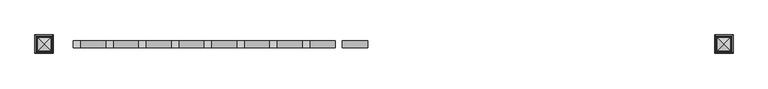
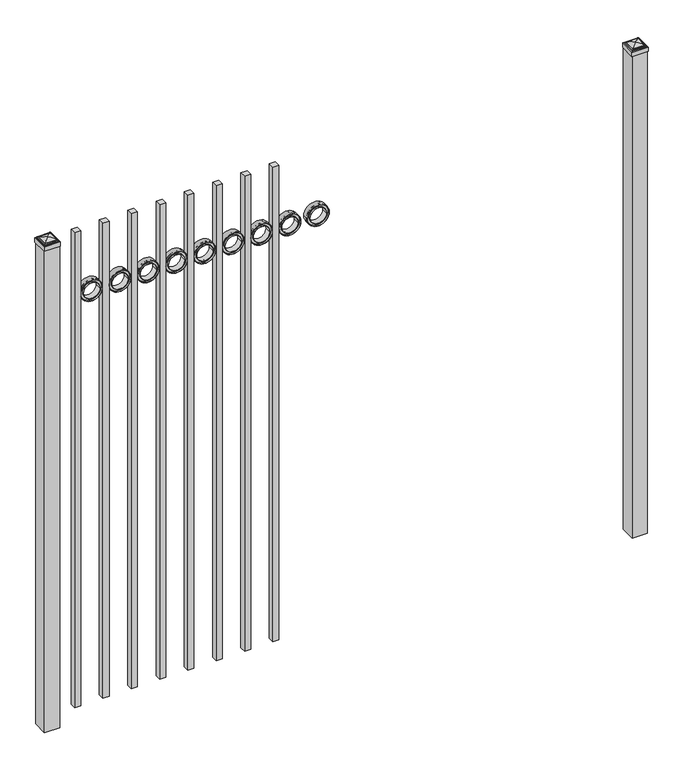
"""IFC4 building model written with IfcOpenShell, lengths in millimetres: railing geometry."""

from ifc_helpers import new_model, si_unit, point, frame, frame_2d, origin, origin_with_axes, place, context, project, spatial, polyline, circle_curve, ellipse_curve, trimmed, segment, composite_curve, outline, extrude, source, transform, mapped, element, save
from ifc_brep_helpers import plane_surface, cylinder_surface, advanced_brep


def railing_8e36fc4a(model_context):
    return source(origin(), model_context, "Body", "SolidModel", [
        extrude(outline(composite_curve([segment(trimmed(circle_curve(frame_2d((1855.0040076, 12601.0088655)), 45.6988591), [point((1855.0040076, 12646.7077246))], [point((1855.0040076, 12555.3100064))], False, "CARTESIAN"), True, "CONTINUOUS"), segment(trimmed(circle_curve(frame_2d((1855.0040076, 12601.0088655)), 45.6988591), [point((1855.0040076, 12555.3100064))], [point((1855.0040076, 12646.7077246))], False, "CARTESIAN"), True, "CONTINUOUS")], self_intersect=False), holes=[composite_curve([segment(trimmed(circle_curve(frame_2d((1855.0040076, 12601.0088655)), 44.101539), [point((1855.0040076, 12645.1104045))], [point((1855.0040076, 12556.9073265))], True, "CARTESIAN"), True, "CONTINUOUS"), segment(trimmed(circle_curve(frame_2d((1855.0040076, 12601.0088655)), 44.101539), [point((1855.0040076, 12556.9073265))], [point((1855.0040076, 12645.1104045))], True, "CARTESIAN"), True, "CONTINUOUS")], self_intersect=False)]), frame((0.0, 8832.219541, 0.0), z_axis=(0.0, 1.0, 0.0), x_axis=(0.0, 0.0, 1.0)), (0.0, 0.0, 1.0), 25.4),
        extrude(outline(composite_curve([segment(trimmed(circle_curve(frame_2d((1855.0040076, 12601.0088655)), 34.6370762), [point((1855.0040076, 12635.6459417))], [point((1855.0040076, 12566.3717893))], False, "CARTESIAN"), True, "CONTINUOUS"), segment(trimmed(circle_curve(frame_2d((1855.0040076, 12601.0088655)), 34.6370762), [point((1855.0040076, 12566.3717893))], [point((1855.0040076, 12635.6459417))], False, "CARTESIAN"), True, "CONTINUOUS")], self_intersect=False), holes=[composite_curve([segment(trimmed(circle_curve(frame_2d((1855.0040076, 12601.0088655)), 33.0443887), [point((1855.0040076, 12634.0532542))], [point((1855.0040076, 12567.9644768))], True, "CARTESIAN"), True, "CONTINUOUS"), segment(trimmed(circle_curve(frame_2d((1855.0040076, 12601.0088655)), 33.0443887), [point((1855.0040076, 12567.9644768))], [point((1855.0040076, 12634.0532542))], True, "CARTESIAN"), True, "CONTINUOUS")], self_intersect=False)]), frame((0.0, 8832.219541, 0.0), z_axis=(0.0, 1.0, 0.0), x_axis=(0.0, 0.0, 1.0)), (0.0, 0.0, 1.0), 25.4),
        extrude(outline(composite_curve([segment(trimmed(circle_curve(frame_2d((1855.0040076, 12601.0088655)), 45.6988591), [point((1855.0040076, 12646.7077246))], [point((1855.0040076, 12555.3100064))], False, "CARTESIAN"), True, "CONTINUOUS"), segment(trimmed(circle_curve(frame_2d((1855.0040076, 12601.0088655)), 45.6988591), [point((1855.0040076, 12555.3100064))], [point((1855.0040076, 12646.7077246))], False, "CARTESIAN"), True, "CONTINUOUS")], self_intersect=False), holes=[composite_curve([segment(trimmed(circle_curve(frame_2d((1855.0040076, 12601.0088655)), 33.0443887), [point((1855.0040076, 12634.0532542))], [point((1855.0040076, 12567.9644768))], True, "CARTESIAN"), True, "CONTINUOUS"), segment(trimmed(circle_curve(frame_2d((1855.0040076, 12601.0088655)), 33.0443887), [point((1855.0040076, 12567.9644768))], [point((1855.0040076, 12634.0532542))], True, "CARTESIAN"), True, "CONTINUOUS")], self_intersect=False)]), frame((0.0, 8838.569541, 0.0), z_axis=(0.0, 1.0, 0.0), x_axis=(0.0, 0.0, 1.0)), (0.0, 0.0, 1.0), 12.7),
        extrude(outline(polyline([(12412.4350064, 8857.619541), (12437.8350064, 8857.619541), (12437.8350064, 8832.219541), (12412.4350064, 8832.219541), (12412.4350064, 8857.619541)])), frame((0.0, 0.0, 50.8), z_axis=(0.0, 0.0, 1.0), x_axis=(1.0, 0.0, 0.0)), (0.0, 0.0, 1.0), 2082.8),
        extrude(outline(composite_curve([segment(trimmed(circle_curve(frame_2d((1855.0040076, 12483.5338655)), 45.6988591), [point((1855.0040076, 12529.2327246))], [point((1855.0040076, 12437.8350064))], False, "CARTESIAN"), True, "CONTINUOUS"), segment(trimmed(circle_curve(frame_2d((1855.0040076, 12483.5338655)), 45.6988591), [point((1855.0040076, 12437.8350064))], [point((1855.0040076, 12529.2327246))], False, "CARTESIAN"), True, "CONTINUOUS")], self_intersect=False), holes=[composite_curve([segment(trimmed(circle_curve(frame_2d((1855.0040076, 12483.5338655)), 44.101539), [point((1855.0040076, 12527.6354045))], [point((1855.0040076, 12439.4323265))], True, "CARTESIAN"), True, "CONTINUOUS"), segment(trimmed(circle_curve(frame_2d((1855.0040076, 12483.5338655)), 44.101539), [point((1855.0040076, 12439.4323265))], [point((1855.0040076, 12527.6354045))], True, "CARTESIAN"), True, "CONTINUOUS")], self_intersect=False)]), frame((0.0, 8832.219541, 0.0), z_axis=(0.0, 1.0, 0.0), x_axis=(0.0, 0.0, 1.0)), (0.0, 0.0, 1.0), 25.4),
        extrude(outline(composite_curve([segment(trimmed(circle_curve(frame_2d((1855.0040076, 12483.5338655)), 34.6370762), [point((1855.0040076, 12518.1709417))], [point((1855.0040076, 12448.8967893))], False, "CARTESIAN"), True, "CONTINUOUS"), segment(trimmed(circle_curve(frame_2d((1855.0040076, 12483.5338655)), 34.6370762), [point((1855.0040076, 12448.8967893))], [point((1855.0040076, 12518.1709417))], False, "CARTESIAN"), True, "CONTINUOUS")], self_intersect=False), holes=[composite_curve([segment(trimmed(circle_curve(frame_2d((1855.0040076, 12483.5338655)), 33.0443887), [point((1855.0040076, 12516.5782542))], [point((1855.0040076, 12450.4894768))], True, "CARTESIAN"), True, "CONTINUOUS"), segment(trimmed(circle_curve(frame_2d((1855.0040076, 12483.5338655)), 33.0443887), [point((1855.0040076, 12450.4894768))], [point((1855.0040076, 12516.5782542))], True, "CARTESIAN"), True, "CONTINUOUS")], self_intersect=False)]), frame((0.0, 8832.219541, 0.0), z_axis=(0.0, 1.0, 0.0), x_axis=(0.0, 0.0, 1.0)), (0.0, 0.0, 1.0), 25.4),
        extrude(outline(composite_curve([segment(trimmed(circle_curve(frame_2d((1855.0040076, 12483.5338655)), 45.6988591), [point((1855.0040076, 12529.2327246))], [point((1855.0040076, 12437.8350064))], False, "CARTESIAN"), True, "CONTINUOUS"), segment(trimmed(circle_curve(frame_2d((1855.0040076, 12483.5338655)), 45.6988591), [point((1855.0040076, 12437.8350064))], [point((1855.0040076, 12529.2327246))], False, "CARTESIAN"), True, "CONTINUOUS")], self_intersect=False), holes=[composite_curve([segment(trimmed(circle_curve(frame_2d((1855.0040076, 12483.5338655)), 33.0443887), [point((1855.0040076, 12516.5782542))], [point((1855.0040076, 12450.4894768))], True, "CARTESIAN"), True, "CONTINUOUS"), segment(trimmed(circle_curve(frame_2d((1855.0040076, 12483.5338655)), 33.0443887), [point((1855.0040076, 12450.4894768))], [point((1855.0040076, 12516.5782542))], True, "CARTESIAN"), True, "CONTINUOUS")], self_intersect=False)]), frame((0.0, 8838.569541, 0.0), z_axis=(0.0, 1.0, 0.0), x_axis=(0.0, 0.0, 1.0)), (0.0, 0.0, 1.0), 12.7),
        extrude(outline(polyline([(12294.9600064, 8857.619541), (12320.3600064, 8857.619541), (12320.3600064, 8832.219541), (12294.9600064, 8832.219541), (12294.9600064, 8857.619541)])), frame((0.0, 0.0, 50.8), z_axis=(0.0, 0.0, 1.0), x_axis=(1.0, 0.0, 0.0)), (0.0, 0.0, 1.0), 2082.8),
        extrude(outline(composite_curve([segment(trimmed(circle_curve(frame_2d((1855.0040076, 12366.0588655)), 45.6988591), [point((1855.0040076, 12411.7577246))], [point((1855.0040076, 12320.3600064))], False, "CARTESIAN"), True, "CONTINUOUS"), segment(trimmed(circle_curve(frame_2d((1855.0040076, 12366.0588655)), 45.6988591), [point((1855.0040076, 12320.3600064))], [point((1855.0040076, 12411.7577246))], False, "CARTESIAN"), True, "CONTINUOUS")], self_intersect=False), holes=[composite_curve([segment(trimmed(circle_curve(frame_2d((1855.0040076, 12366.0588655)), 44.101539), [point((1855.0040076, 12410.1604045))], [point((1855.0040076, 12321.9573265))], True, "CARTESIAN"), True, "CONTINUOUS"), segment(trimmed(circle_curve(frame_2d((1855.0040076, 12366.0588655)), 44.101539), [point((1855.0040076, 12321.9573265))], [point((1855.0040076, 12410.1604045))], True, "CARTESIAN"), True, "CONTINUOUS")], self_intersect=False)]), frame((0.0, 8832.219541, 0.0), z_axis=(0.0, 1.0, 0.0), x_axis=(0.0, 0.0, 1.0)), (0.0, 0.0, 1.0), 25.4),
        extrude(outline(composite_curve([segment(trimmed(circle_curve(frame_2d((1855.0040076, 12366.0588655)), 34.6370762), [point((1855.0040076, 12400.6959417))], [point((1855.0040076, 12331.4217893))], False, "CARTESIAN"), True, "CONTINUOUS"), segment(trimmed(circle_curve(frame_2d((1855.0040076, 12366.0588655)), 34.6370762), [point((1855.0040076, 12331.4217893))], [point((1855.0040076, 12400.6959417))], False, "CARTESIAN"), True, "CONTINUOUS")], self_intersect=False), holes=[composite_curve([segment(trimmed(circle_curve(frame_2d((1855.0040076, 12366.0588655)), 33.0443887), [point((1855.0040076, 12399.1032542))], [point((1855.0040076, 12333.0144768))], True, "CARTESIAN"), True, "CONTINUOUS"), segment(trimmed(circle_curve(frame_2d((1855.0040076, 12366.0588655)), 33.0443887), [point((1855.0040076, 12333.0144768))], [point((1855.0040076, 12399.1032542))], True, "CARTESIAN"), True, "CONTINUOUS")], self_intersect=False)]), frame((0.0, 8832.219541, 0.0), z_axis=(0.0, 1.0, 0.0), x_axis=(0.0, 0.0, 1.0)), (0.0, 0.0, 1.0), 25.4),
        extrude(outline(composite_curve([segment(trimmed(circle_curve(frame_2d((1855.0040076, 12366.0588655)), 45.6988591), [point((1855.0040076, 12411.7577246))], [point((1855.0040076, 12320.3600064))], False, "CARTESIAN"), True, "CONTINUOUS"), segment(trimmed(circle_curve(frame_2d((1855.0040076, 12366.0588655)), 45.6988591), [point((1855.0040076, 12320.3600064))], [point((1855.0040076, 12411.7577246))], False, "CARTESIAN"), True, "CONTINUOUS")], self_intersect=False), holes=[composite_curve([segment(trimmed(circle_curve(frame_2d((1855.0040076, 12366.0588655)), 33.0443887), [point((1855.0040076, 12399.1032542))], [point((1855.0040076, 12333.0144768))], True, "CARTESIAN"), True, "CONTINUOUS"), segment(trimmed(circle_curve(frame_2d((1855.0040076, 12366.0588655)), 33.0443887), [point((1855.0040076, 12333.0144768))], [point((1855.0040076, 12399.1032542))], True, "CARTESIAN"), True, "CONTINUOUS")], self_intersect=False)]), frame((0.0, 8838.569541, 0.0), z_axis=(0.0, 1.0, 0.0), x_axis=(0.0, 0.0, 1.0)), (0.0, 0.0, 1.0), 12.7),
        extrude(outline(polyline([(12177.4850064, 8857.619541), (12202.8850064, 8857.619541), (12202.8850064, 8832.219541), (12177.4850064, 8832.219541), (12177.4850064, 8857.619541)])), frame((0.0, 0.0, 50.8), z_axis=(0.0, 0.0, 1.0), x_axis=(1.0, 0.0, 0.0)), (0.0, 0.0, 1.0), 2082.8),
        extrude(outline(composite_curve([segment(trimmed(circle_curve(frame_2d((1855.0040076, 12248.5838655)), 45.6988591), [point((1855.0040076, 12294.2827246))], [point((1855.0040076, 12202.8850064))], False, "CARTESIAN"), True, "CONTINUOUS"), segment(trimmed(circle_curve(frame_2d((1855.0040076, 12248.5838655)), 45.6988591), [point((1855.0040076, 12202.8850064))], [point((1855.0040076, 12294.2827246))], False, "CARTESIAN"), True, "CONTINUOUS")], self_intersect=False), holes=[composite_curve([segment(trimmed(circle_curve(frame_2d((1855.0040076, 12248.5838655)), 44.101539), [point((1855.0040076, 12292.6854045))], [point((1855.0040076, 12204.4823265))], True, "CARTESIAN"), True, "CONTINUOUS"), segment(trimmed(circle_curve(frame_2d((1855.0040076, 12248.5838655)), 44.101539), [point((1855.0040076, 12204.4823265))], [point((1855.0040076, 12292.6854045))], True, "CARTESIAN"), True, "CONTINUOUS")], self_intersect=False)]), frame((0.0, 8832.219541, 0.0), z_axis=(0.0, 1.0, 0.0), x_axis=(0.0, 0.0, 1.0)), (0.0, 0.0, 1.0), 25.4),
        extrude(outline(composite_curve([segment(trimmed(circle_curve(frame_2d((1855.0040076, 12248.5838655)), 34.6370762), [point((1855.0040076, 12283.2209417))], [point((1855.0040076, 12213.9467893))], False, "CARTESIAN"), True, "CONTINUOUS"), segment(trimmed(circle_curve(frame_2d((1855.0040076, 12248.5838655)), 34.6370762), [point((1855.0040076, 12213.9467893))], [point((1855.0040076, 12283.2209417))], False, "CARTESIAN"), True, "CONTINUOUS")], self_intersect=False), holes=[composite_curve([segment(trimmed(circle_curve(frame_2d((1855.0040076, 12248.5838655)), 33.0443887), [point((1855.0040076, 12281.6282542))], [point((1855.0040076, 12215.5394768))], True, "CARTESIAN"), True, "CONTINUOUS"), segment(trimmed(circle_curve(frame_2d((1855.0040076, 12248.5838655)), 33.0443887), [point((1855.0040076, 12215.5394768))], [point((1855.0040076, 12281.6282542))], True, "CARTESIAN"), True, "CONTINUOUS")], self_intersect=False)]), frame((0.0, 8832.219541, 0.0), z_axis=(0.0, 1.0, 0.0), x_axis=(0.0, 0.0, 1.0)), (0.0, 0.0, 1.0), 25.4),
        extrude(outline(composite_curve([segment(trimmed(circle_curve(frame_2d((1855.0040076, 12248.5838655)), 45.6988591), [point((1855.0040076, 12294.2827246))], [point((1855.0040076, 12202.8850064))], False, "CARTESIAN"), True, "CONTINUOUS"), segment(trimmed(circle_curve(frame_2d((1855.0040076, 12248.5838655)), 45.6988591), [point((1855.0040076, 12202.8850064))], [point((1855.0040076, 12294.2827246))], False, "CARTESIAN"), True, "CONTINUOUS")], self_intersect=False), holes=[composite_curve([segment(trimmed(circle_curve(frame_2d((1855.0040076, 12248.5838655)), 33.0443887), [point((1855.0040076, 12281.6282542))], [point((1855.0040076, 12215.5394768))], True, "CARTESIAN"), True, "CONTINUOUS"), segment(trimmed(circle_curve(frame_2d((1855.0040076, 12248.5838655)), 33.0443887), [point((1855.0040076, 12215.5394768))], [point((1855.0040076, 12281.6282542))], True, "CARTESIAN"), True, "CONTINUOUS")], self_intersect=False)]), frame((0.0, 8838.569541, 0.0), z_axis=(0.0, 1.0, 0.0), x_axis=(0.0, 0.0, 1.0)), (0.0, 0.0, 1.0), 12.7),
        extrude(outline(polyline([(12060.0100064, 8857.619541), (12085.4100064, 8857.619541), (12085.4100064, 8832.219541), (12060.0100064, 8832.219541), (12060.0100064, 8857.619541)])), frame((0.0, 0.0, 50.8), z_axis=(0.0, 0.0, 1.0), x_axis=(1.0, 0.0, 0.0)), (0.0, 0.0, 1.0), 2082.8),
        extrude(outline(composite_curve([segment(trimmed(circle_curve(frame_2d((1855.0040076, 12131.1088655)), 45.6988591), [point((1855.0040076, 12176.8077246))], [point((1855.0040076, 12085.4100064))], False, "CARTESIAN"), True, "CONTINUOUS"), segment(trimmed(circle_curve(frame_2d((1855.0040076, 12131.1088655)), 45.6988591), [point((1855.0040076, 12085.4100064))], [point((1855.0040076, 12176.8077246))], False, "CARTESIAN"), True, "CONTINUOUS")], self_intersect=False), holes=[composite_curve([segment(trimmed(circle_curve(frame_2d((1855.0040076, 12131.1088655)), 44.101539), [point((1855.0040076, 12175.2104045))], [point((1855.0040076, 12087.0073265))], True, "CARTESIAN"), True, "CONTINUOUS"), segment(trimmed(circle_curve(frame_2d((1855.0040076, 12131.1088655)), 44.101539), [point((1855.0040076, 12087.0073265))], [point((1855.0040076, 12175.2104045))], True, "CARTESIAN"), True, "CONTINUOUS")], self_intersect=False)]), frame((0.0, 8832.219541, 0.0), z_axis=(0.0, 1.0, 0.0), x_axis=(0.0, 0.0, 1.0)), (0.0, 0.0, 1.0), 25.4),
        extrude(outline(composite_curve([segment(trimmed(circle_curve(frame_2d((1855.0040076, 12131.1088655)), 34.6370762), [point((1855.0040076, 12165.7459417))], [point((1855.0040076, 12096.4717893))], False, "CARTESIAN"), True, "CONTINUOUS"), segment(trimmed(circle_curve(frame_2d((1855.0040076, 12131.1088655)), 34.6370762), [point((1855.0040076, 12096.4717893))], [point((1855.0040076, 12165.7459417))], False, "CARTESIAN"), True, "CONTINUOUS")], self_intersect=False), holes=[composite_curve([segment(trimmed(circle_curve(frame_2d((1855.0040076, 12131.1088655)), 33.0443887), [point((1855.0040076, 12164.1532542))], [point((1855.0040076, 12098.0644768))], True, "CARTESIAN"), True, "CONTINUOUS"), segment(trimmed(circle_curve(frame_2d((1855.0040076, 12131.1088655)), 33.0443887), [point((1855.0040076, 12098.0644768))], [point((1855.0040076, 12164.1532542))], True, "CARTESIAN"), True, "CONTINUOUS")], self_intersect=False)]), frame((0.0, 8832.219541, 0.0), z_axis=(0.0, 1.0, 0.0), x_axis=(0.0, 0.0, 1.0)), (0.0, 0.0, 1.0), 25.4),
        extrude(outline(composite_curve([segment(trimmed(circle_curve(frame_2d((1855.0040076, 12131.1088655)), 45.6988591), [point((1855.0040076, 12176.8077246))], [point((1855.0040076, 12085.4100064))], False, "CARTESIAN"), True, "CONTINUOUS"), segment(trimmed(circle_curve(frame_2d((1855.0040076, 12131.1088655)), 45.6988591), [point((1855.0040076, 12085.4100064))], [point((1855.0040076, 12176.8077246))], False, "CARTESIAN"), True, "CONTINUOUS")], self_intersect=False), holes=[composite_curve([segment(trimmed(circle_curve(frame_2d((1855.0040076, 12131.1088655)), 33.0443887), [point((1855.0040076, 12164.1532542))], [point((1855.0040076, 12098.0644768))], True, "CARTESIAN"), True, "CONTINUOUS"), segment(trimmed(circle_curve(frame_2d((1855.0040076, 12131.1088655)), 33.0443887), [point((1855.0040076, 12098.0644768))], [point((1855.0040076, 12164.1532542))], True, "CARTESIAN"), True, "CONTINUOUS")], self_intersect=False)]), frame((0.0, 8838.569541, 0.0), z_axis=(0.0, 1.0, 0.0), x_axis=(0.0, 0.0, 1.0)), (0.0, 0.0, 1.0), 12.7),
        extrude(outline(polyline([(11942.5350064, 8857.619541), (11967.9350064, 8857.619541), (11967.9350064, 8832.219541), (11942.5350064, 8832.219541), (11942.5350064, 8857.619541)])), frame((0.0, 0.0, 50.8), z_axis=(0.0, 0.0, 1.0), x_axis=(1.0, 0.0, 0.0)), (0.0, 0.0, 1.0), 2082.8),
        extrude(outline(composite_curve([segment(trimmed(circle_curve(frame_2d((1855.0040076, 12013.6338655)), 45.6988591), [point((1855.0040076, 12059.3327246))], [point((1855.0040076, 11967.9350064))], False, "CARTESIAN"), True, "CONTINUOUS"), segment(trimmed(circle_curve(frame_2d((1855.0040076, 12013.6338655)), 45.6988591), [point((1855.0040076, 11967.9350064))], [point((1855.0040076, 12059.3327246))], False, "CARTESIAN"), True, "CONTINUOUS")], self_intersect=False), holes=[composite_curve([segment(trimmed(circle_curve(frame_2d((1855.0040076, 12013.6338655)), 44.101539), [point((1855.0040076, 12057.7354045))], [point((1855.0040076, 11969.5323265))], True, "CARTESIAN"), True, "CONTINUOUS"), segment(trimmed(circle_curve(frame_2d((1855.0040076, 12013.6338655)), 44.101539), [point((1855.0040076, 11969.5323265))], [point((1855.0040076, 12057.7354045))], True, "CARTESIAN"), True, "CONTINUOUS")], self_intersect=False)]), frame((0.0, 8832.219541, 0.0), z_axis=(0.0, 1.0, 0.0), x_axis=(0.0, 0.0, 1.0)), (0.0, 0.0, 1.0), 25.4),
        extrude(outline(composite_curve([segment(trimmed(circle_curve(frame_2d((1855.0040076, 12013.6338655)), 34.6370762), [point((1855.0040076, 12048.2709417))], [point((1855.0040076, 11978.9967893))], False, "CARTESIAN"), True, "CONTINUOUS"), segment(trimmed(circle_curve(frame_2d((1855.0040076, 12013.6338655)), 34.6370762), [point((1855.0040076, 11978.9967893))], [point((1855.0040076, 12048.2709417))], False, "CARTESIAN"), True, "CONTINUOUS")], self_intersect=False), holes=[composite_curve([segment(trimmed(circle_curve(frame_2d((1855.0040076, 12013.6338655)), 33.0443887), [point((1855.0040076, 12046.6782542))], [point((1855.0040076, 11980.5894768))], True, "CARTESIAN"), True, "CONTINUOUS"), segment(trimmed(circle_curve(frame_2d((1855.0040076, 12013.6338655)), 33.0443887), [point((1855.0040076, 11980.5894768))], [point((1855.0040076, 12046.6782542))], True, "CARTESIAN"), True, "CONTINUOUS")], self_intersect=False)]), frame((0.0, 8832.219541, 0.0), z_axis=(0.0, 1.0, 0.0), x_axis=(0.0, 0.0, 1.0)), (0.0, 0.0, 1.0), 25.4),
        extrude(outline(composite_curve([segment(trimmed(circle_curve(frame_2d((1855.0040076, 12013.6338655)), 45.6988591), [point((1855.0040076, 12059.3327246))], [point((1855.0040076, 11967.9350064))], False, "CARTESIAN"), True, "CONTINUOUS"), segment(trimmed(circle_curve(frame_2d((1855.0040076, 12013.6338655)), 45.6988591), [point((1855.0040076, 11967.9350064))], [point((1855.0040076, 12059.3327246))], False, "CARTESIAN"), True, "CONTINUOUS")], self_intersect=False), holes=[composite_curve([segment(trimmed(circle_curve(frame_2d((1855.0040076, 12013.6338655)), 33.0443887), [point((1855.0040076, 12046.6782542))], [point((1855.0040076, 11980.5894768))], True, "CARTESIAN"), True, "CONTINUOUS"), segment(trimmed(circle_curve(frame_2d((1855.0040076, 12013.6338655)), 33.0443887), [point((1855.0040076, 11980.5894768))], [point((1855.0040076, 12046.6782542))], True, "CARTESIAN"), True, "CONTINUOUS")], self_intersect=False)]), frame((0.0, 8838.569541, 0.0), z_axis=(0.0, 1.0, 0.0), x_axis=(0.0, 0.0, 1.0)), (0.0, 0.0, 1.0), 12.7),
        extrude(outline(polyline([(11825.0600064, 8857.619541), (11850.4600064, 8857.619541), (11850.4600064, 8832.219541), (11825.0600064, 8832.219541), (11825.0600064, 8857.619541)])), frame((0.0, 0.0, 50.8), z_axis=(0.0, 0.0, 1.0), x_axis=(1.0, 0.0, 0.0)), (0.0, 0.0, 1.0), 2082.8),
        extrude(outline(composite_curve([segment(trimmed(circle_curve(frame_2d((1855.0040076, 11896.1588655)), 45.6988591), [point((1855.0040076, 11941.8577246))], [point((1855.0040076, 11850.4600064))], False, "CARTESIAN"), True, "CONTINUOUS"), segment(trimmed(circle_curve(frame_2d((1855.0040076, 11896.1588655)), 45.6988591), [point((1855.0040076, 11850.4600064))], [point((1855.0040076, 11941.8577246))], False, "CARTESIAN"), True, "CONTINUOUS")], self_intersect=False), holes=[composite_curve([segment(trimmed(circle_curve(frame_2d((1855.0040076, 11896.1588655)), 44.101539), [point((1855.0040076, 11940.2604045))], [point((1855.0040076, 11852.0573265))], True, "CARTESIAN"), True, "CONTINUOUS"), segment(trimmed(circle_curve(frame_2d((1855.0040076, 11896.1588655)), 44.101539), [point((1855.0040076, 11852.0573265))], [point((1855.0040076, 11940.2604045))], True, "CARTESIAN"), True, "CONTINUOUS")], self_intersect=False)]), frame((0.0, 8832.219541, 0.0), z_axis=(0.0, 1.0, 0.0), x_axis=(0.0, 0.0, 1.0)), (0.0, 0.0, 1.0), 25.4),
        extrude(outline(composite_curve([segment(trimmed(circle_curve(frame_2d((1855.0040076, 11896.1588655)), 34.6370762), [point((1855.0040076, 11930.7959417))], [point((1855.0040076, 11861.5217893))], False, "CARTESIAN"), True, "CONTINUOUS"), segment(trimmed(circle_curve(frame_2d((1855.0040076, 11896.1588655)), 34.6370762), [point((1855.0040076, 11861.5217893))], [point((1855.0040076, 11930.7959417))], False, "CARTESIAN"), True, "CONTINUOUS")], self_intersect=False), holes=[composite_curve([segment(trimmed(circle_curve(frame_2d((1855.0040076, 11896.1588655)), 33.0443887), [point((1855.0040076, 11929.2032542))], [point((1855.0040076, 11863.1144768))], True, "CARTESIAN"), True, "CONTINUOUS"), segment(trimmed(circle_curve(frame_2d((1855.0040076, 11896.1588655)), 33.0443887), [point((1855.0040076, 11863.1144768))], [point((1855.0040076, 11929.2032542))], True, "CARTESIAN"), True, "CONTINUOUS")], self_intersect=False)]), frame((0.0, 8832.219541, 0.0), z_axis=(0.0, 1.0, 0.0), x_axis=(0.0, 0.0, 1.0)), (0.0, 0.0, 1.0), 25.4),
        extrude(outline(composite_curve([segment(trimmed(circle_curve(frame_2d((1855.0040076, 11896.1588655)), 45.6988591), [point((1855.0040076, 11941.8577246))], [point((1855.0040076, 11850.4600064))], False, "CARTESIAN"), True, "CONTINUOUS"), segment(trimmed(circle_curve(frame_2d((1855.0040076, 11896.1588655)), 45.6988591), [point((1855.0040076, 11850.4600064))], [point((1855.0040076, 11941.8577246))], False, "CARTESIAN"), True, "CONTINUOUS")], self_intersect=False), holes=[composite_curve([segment(trimmed(circle_curve(frame_2d((1855.0040076, 11896.1588655)), 33.0443887), [point((1855.0040076, 11929.2032542))], [point((1855.0040076, 11863.1144768))], True, "CARTESIAN"), True, "CONTINUOUS"), segment(trimmed(circle_curve(frame_2d((1855.0040076, 11896.1588655)), 33.0443887), [point((1855.0040076, 11863.1144768))], [point((1855.0040076, 11929.2032542))], True, "CARTESIAN"), True, "CONTINUOUS")], self_intersect=False)]), frame((0.0, 8838.569541, 0.0), z_axis=(0.0, 1.0, 0.0), x_axis=(0.0, 0.0, 1.0)), (0.0, 0.0, 1.0), 12.7),
        extrude(outline(polyline([(11707.5850064, 8857.619541), (11732.9850064, 8857.619541), (11732.9850064, 8832.219541), (11707.5850064, 8832.219541), (11707.5850064, 8857.619541)])), frame((0.0, 0.0, 50.8), z_axis=(0.0, 0.0, 1.0), x_axis=(1.0, 0.0, 0.0)), (0.0, 0.0, 1.0), 2082.8),
        extrude(outline(composite_curve([segment(trimmed(circle_curve(frame_2d((1855.0040076, 11778.6838655)), 45.6988591), [point((1855.0040076, 11824.3827246))], [point((1855.0040076, 11732.9850064))], False, "CARTESIAN"), True, "CONTINUOUS"), segment(trimmed(circle_curve(frame_2d((1855.0040076, 11778.6838655)), 45.6988591), [point((1855.0040076, 11732.9850064))], [point((1855.0040076, 11824.3827246))], False, "CARTESIAN"), True, "CONTINUOUS")], self_intersect=False), holes=[composite_curve([segment(trimmed(circle_curve(frame_2d((1855.0040076, 11778.6838655)), 44.101539), [point((1855.0040076, 11822.7854045))], [point((1855.0040076, 11734.5823265))], True, "CARTESIAN"), True, "CONTINUOUS"), segment(trimmed(circle_curve(frame_2d((1855.0040076, 11778.6838655)), 44.101539), [point((1855.0040076, 11734.5823265))], [point((1855.0040076, 11822.7854045))], True, "CARTESIAN"), True, "CONTINUOUS")], self_intersect=False)]), frame((0.0, 8832.219541, 0.0), z_axis=(0.0, 1.0, 0.0), x_axis=(0.0, 0.0, 1.0)), (0.0, 0.0, 1.0), 25.4),
        extrude(outline(composite_curve([segment(trimmed(circle_curve(frame_2d((1855.0040076, 11778.6838655)), 34.6370762), [point((1855.0040076, 11813.3209417))], [point((1855.0040076, 11744.0467893))], False, "CARTESIAN"), True, "CONTINUOUS"), segment(trimmed(circle_curve(frame_2d((1855.0040076, 11778.6838655)), 34.6370762), [point((1855.0040076, 11744.0467893))], [point((1855.0040076, 11813.3209417))], False, "CARTESIAN"), True, "CONTINUOUS")], self_intersect=False), holes=[composite_curve([segment(trimmed(circle_curve(frame_2d((1855.0040076, 11778.6838655)), 33.0443887), [point((1855.0040076, 11811.7282542))], [point((1855.0040076, 11745.6394768))], True, "CARTESIAN"), True, "CONTINUOUS"), segment(trimmed(circle_curve(frame_2d((1855.0040076, 11778.6838655)), 33.0443887), [point((1855.0040076, 11745.6394768))], [point((1855.0040076, 11811.7282542))], True, "CARTESIAN"), True, "CONTINUOUS")], self_intersect=False)]), frame((0.0, 8832.219541, 0.0), z_axis=(0.0, 1.0, 0.0), x_axis=(0.0, 0.0, 1.0)), (0.0, 0.0, 1.0), 25.4),
        extrude(outline(composite_curve([segment(trimmed(circle_curve(frame_2d((1855.0040076, 11778.6838655)), 45.6988591), [point((1855.0040076, 11824.3827246))], [point((1855.0040076, 11732.9850064))], False, "CARTESIAN"), True, "CONTINUOUS"), segment(trimmed(circle_curve(frame_2d((1855.0040076, 11778.6838655)), 45.6988591), [point((1855.0040076, 11732.9850064))], [point((1855.0040076, 11824.3827246))], False, "CARTESIAN"), True, "CONTINUOUS")], self_intersect=False), holes=[composite_curve([segment(trimmed(circle_curve(frame_2d((1855.0040076, 11778.6838655)), 33.0443887), [point((1855.0040076, 11811.7282542))], [point((1855.0040076, 11745.6394768))], True, "CARTESIAN"), True, "CONTINUOUS"), segment(trimmed(circle_curve(frame_2d((1855.0040076, 11778.6838655)), 33.0443887), [point((1855.0040076, 11745.6394768))], [point((1855.0040076, 11811.7282542))], True, "CARTESIAN"), True, "CONTINUOUS")], self_intersect=False)]), frame((0.0, 8838.569541, 0.0), z_axis=(0.0, 1.0, 0.0), x_axis=(0.0, 0.0, 1.0)), (0.0, 0.0, 1.0), 12.7),
        extrude(outline(polyline([(11590.1100064, 8857.619541), (11615.5100064, 8857.619541), (11615.5100064, 8832.219541), (11590.1100064, 8832.219541), (11590.1100064, 8857.619541)])), frame((0.0, 0.0, 50.8), z_axis=(0.0, 0.0, 1.0), x_axis=(1.0, 0.0, 0.0)), (0.0, 0.0, 1.0), 2082.8),
        extrude(outline(composite_curve([segment(trimmed(circle_curve(frame_2d((1855.0040076, 11661.2088655)), 45.6988591), [point((1855.0040076, 11706.9077246))], [point((1855.0040076, 11615.5100064))], False, "CARTESIAN"), True, "CONTINUOUS"), segment(trimmed(circle_curve(frame_2d((1855.0040076, 11661.2088655)), 45.6988591), [point((1855.0040076, 11615.5100064))], [point((1855.0040076, 11706.9077246))], False, "CARTESIAN"), True, "CONTINUOUS")], self_intersect=False), holes=[composite_curve([segment(trimmed(circle_curve(frame_2d((1855.0040076, 11661.2088655)), 44.101539), [point((1855.0040076, 11705.3104045))], [point((1855.0040076, 11617.1073265))], True, "CARTESIAN"), True, "CONTINUOUS"), segment(trimmed(circle_curve(frame_2d((1855.0040076, 11661.2088655)), 44.101539), [point((1855.0040076, 11617.1073265))], [point((1855.0040076, 11705.3104045))], True, "CARTESIAN"), True, "CONTINUOUS")], self_intersect=False)]), frame((0.0, 8832.219541, 0.0), z_axis=(0.0, 1.0, 0.0), x_axis=(0.0, 0.0, 1.0)), (0.0, 0.0, 1.0), 25.4),
        extrude(outline(composite_curve([segment(trimmed(circle_curve(frame_2d((1855.0040076, 11661.2088655)), 34.6370762), [point((1855.0040076, 11695.8459417))], [point((1855.0040076, 11626.5717893))], False, "CARTESIAN"), True, "CONTINUOUS"), segment(trimmed(circle_curve(frame_2d((1855.0040076, 11661.2088655)), 34.6370762), [point((1855.0040076, 11626.5717893))], [point((1855.0040076, 11695.8459417))], False, "CARTESIAN"), True, "CONTINUOUS")], self_intersect=False), holes=[composite_curve([segment(trimmed(circle_curve(frame_2d((1855.0040076, 11661.2088655)), 33.0443887), [point((1855.0040076, 11694.2532542))], [point((1855.0040076, 11628.1644768))], True, "CARTESIAN"), True, "CONTINUOUS"), segment(trimmed(circle_curve(frame_2d((1855.0040076, 11661.2088655)), 33.0443887), [point((1855.0040076, 11628.1644768))], [point((1855.0040076, 11694.2532542))], True, "CARTESIAN"), True, "CONTINUOUS")], self_intersect=False)]), frame((0.0, 8832.219541, 0.0), z_axis=(0.0, 1.0, 0.0), x_axis=(0.0, 0.0, 1.0)), (0.0, 0.0, 1.0), 25.4),
        extrude(outline(composite_curve([segment(trimmed(circle_curve(frame_2d((1855.0040076, 11661.2088655)), 45.6988591), [point((1855.0040076, 11706.9077246))], [point((1855.0040076, 11615.5100064))], False, "CARTESIAN"), True, "CONTINUOUS"), segment(trimmed(circle_curve(frame_2d((1855.0040076, 11661.2088655)), 45.6988591), [point((1855.0040076, 11615.5100064))], [point((1855.0040076, 11706.9077246))], False, "CARTESIAN"), True, "CONTINUOUS")], self_intersect=False), holes=[composite_curve([segment(trimmed(circle_curve(frame_2d((1855.0040076, 11661.2088655)), 33.0443887), [point((1855.0040076, 11694.2532542))], [point((1855.0040076, 11628.1644768))], True, "CARTESIAN"), True, "CONTINUOUS"), segment(trimmed(circle_curve(frame_2d((1855.0040076, 11661.2088655)), 33.0443887), [point((1855.0040076, 11628.1644768))], [point((1855.0040076, 11694.2532542))], True, "CARTESIAN"), True, "CONTINUOUS")], self_intersect=False)]), frame((0.0, 8838.569541, 0.0), z_axis=(0.0, 1.0, 0.0), x_axis=(0.0, 0.0, 1.0)), (0.0, 0.0, 1.0), 12.7),
        extrude(outline(polyline([(13955.4850064, 8876.669541), (13955.4850064, 8813.169541), (13891.9850064, 8813.169541), (13891.9850064, 8876.669541), (13955.4850064, 8876.669541)])), origin_with_axes(), (0.0, 0.0, 1.0), 2112.9625),
        advanced_brep(
        [(13890.3975064, 8878.257041, 2131.21875), (13890.3975064, 8878.257041, 2112.9625), (13890.3975064, 8811.582041, 2112.9625), (13890.3975064, 8811.582041, 2131.21875), (13892.7787564, 8875.875791, 2133.6), (13892.7787564, 8813.963291, 2133.6), (13895.1600064, 8873.494541, 2135.98125), (13895.1600064, 8873.494541, 2133.6), (13895.1600064, 8816.344541, 2133.6), (13895.1600064, 8816.344541, 2135.98125), (13897.5412564, 8871.113291, 2138.3625), (13897.5412564, 8818.725791, 2138.3625), (13923.7350064, 8844.919541, 2144.7125), (13899.9225064, 8868.732041, 2138.3625), (13899.9225064, 8821.107041, 2138.3625), (13957.0725064, 8811.582041, 2112.9625), (13957.0725064, 8811.582041, 2131.21875), (13954.6912564, 8813.963291, 2133.6), (13952.3100064, 8816.344541, 2133.6), (13952.3100064, 8816.344541, 2135.98125), (13949.9287564, 8818.725791, 2138.3625), (13947.5475064, 8821.107041, 2138.3625), (13957.0725064, 8878.257041, 2112.9625), (13957.0725064, 8878.257041, 2131.21875), (13954.6912564, 8875.875791, 2133.6), (13952.3100064, 8873.494541, 2133.6), (13952.3100064, 8873.494541, 2135.98125), (13949.9287564, 8871.113291, 2138.3625), (13947.5475064, 8868.732041, 2138.3625)],
        [
            (0, 1),
            (1, 2),
            (2, 3),
            (3, 0),
            (4, 0, ellipse_curve(frame((13892.7787564, 8875.875791, 2131.21875), z_axis=(-0.70710678118655, -0.7071067811865449, 0.0), x_axis=(-0.7071067811865448, 0.7071067811865501, 0.0)), 3.367596, 2.38125)),
            (3, 5, ellipse_curve(frame((13892.7787564, 8813.963291, 2131.21875), z_axis=(-0.7071067811865449, 0.70710678118655, 0.0), x_axis=(0.7071067811865499, 0.707106781186545, 0.0)), 3.367596, 2.38125)),
            (5, 4),
            (6, 7),
            (7, 8),
            (8, 9),
            (9, 6),
            (10, 6, ellipse_curve(frame((13897.5412564, 8871.113291, 2135.98125), z_axis=(-0.70710678118655, -0.7071067811865449, 0.0), x_axis=(-0.7071067811865448, 0.7071067811865501, 0.0)), 3.367596, 2.38125)),
            (9, 11, ellipse_curve(frame((13897.5412564, 8818.725791, 2135.98125), z_axis=(-0.7071067811865449, 0.70710678118655, 0.0), x_axis=(0.7071067811865499, 0.707106781186545, 0.0)), 3.367596, 2.38125)),
            (11, 10),
            (12, 13, ellipse_curve(frame((13923.7350064, 8844.919541, 2096.8890625), z_axis=(-0.70710678118655, -0.7071067811865449, 0.0), x_axis=(-0.7071067811865448, 0.7071067811865501, 0.0)), 67.6325539, 47.8234375)),
            (13, 14),
            (14, 12, ellipse_curve(frame((13923.7350064, 8844.919541, 2096.8890625), z_axis=(-0.7071067811865449, 0.70710678118655, 0.0), x_axis=(0.7071067811865499, 0.707106781186545, 0.0)), 67.6325539, 47.8234375)),
            (2, 15),
            (15, 16),
            (16, 3),
            (16, 17, ellipse_curve(frame((13954.6912564, 8813.963291, 2131.21875), z_axis=(-0.70710678118655, -0.707106781186545, 0.0), x_axis=(-0.707106781186545, 0.70710678118655, 0.0)), 3.367596, 2.38125)),
            (17, 5),
            (8, 18),
            (18, 19),
            (19, 9),
            (19, 20, ellipse_curve(frame((13949.9287564, 8818.725791, 2135.98125), z_axis=(-0.70710678118655, -0.707106781186545, 0.0), x_axis=(-0.707106781186545, 0.70710678118655, 0.0)), 3.367596, 2.38125)),
            (20, 11),
            (14, 21),
            (21, 12, ellipse_curve(frame((13923.7350064, 8844.919541, 2096.8890625), z_axis=(-0.70710678118655, -0.707106781186545, 0.0), x_axis=(-0.707106781186545, 0.70710678118655, 0.0)), 67.6325539, 47.8234375)),
            (15, 22),
            (22, 23),
            (23, 16),
            (23, 24, ellipse_curve(frame((13954.6912564, 8875.875791, 2131.21875), z_axis=(0.707106781186545, -0.7071067811865499, 0.0), x_axis=(-0.7071067811865497, -0.7071067811865452, 0.0)), 3.367596, 2.38125)),
            (24, 17),
            (18, 25),
            (25, 26),
            (26, 19),
            (26, 27, ellipse_curve(frame((13949.9287564, 8871.113291, 2135.98125), z_axis=(0.707106781186545, -0.7071067811865499, 0.0), x_axis=(-0.7071067811865497, -0.7071067811865452, 0.0)), 3.367596, 2.38125)),
            (27, 20),
            (21, 28),
            (28, 12, ellipse_curve(frame((13923.7350064, 8844.919541, 2096.8890625), z_axis=(0.707106781186545, -0.7071067811865499, 0.0), x_axis=(-0.7071067811865497, -0.7071067811865452, 0.0)), 67.6325539, 47.8234375)),
            (22, 1),
            (0, 23),
            (4, 24),
            (7, 25),
            (6, 26),
            (10, 27),
            (13, 28),
        ],
        [
            plane_surface(frame((13890.3975064, 8878.257041, 2112.9625), z_axis=(-1.0, 0.0, 0.0), x_axis=(0.0, -1.0, 0.0))),
            cylinder_surface(frame((13892.7787564, 8876.669541, 2131.21875), z_axis=(0.0, 1.0, 0.0), x_axis=(1.0, 0.0, 0.0)), 2.38125),
            plane_surface(frame((13895.1600064, 8873.494541, 2133.6), z_axis=(-1.0, 0.0, 0.0), x_axis=(0.0, -1.0, 0.0))),
            cylinder_surface(frame((13897.5412564, 8876.669541, 2135.98125), z_axis=(0.0, 1.0, 0.0), x_axis=(1.0, 0.0, 0.0)), 2.38125),
            cylinder_surface(frame((13923.7350064, 8876.669541, 2096.8890625), z_axis=(0.0, 1.0, 0.0), x_axis=(1.0, 0.0, 0.0)), 47.8234375),
            plane_surface(frame((13890.3975064, 8811.582041, 2112.9625), z_axis=(0.0, -1.0, 0.0), x_axis=(1.0, 0.0, 0.0))),
            cylinder_surface(frame((13891.9850064, 8813.963291, 2131.21875), z_axis=(-1.0, 0.0, 0.0), x_axis=(0.0, 1.0, 0.0)), 2.38125),
            plane_surface(frame((13895.1600064, 8816.344541, 2133.6), z_axis=(0.0, -1.0, 0.0), x_axis=(1.0, 0.0, 0.0))),
            cylinder_surface(frame((13891.9850064, 8818.725791, 2135.98125), z_axis=(-1.0, 0.0, 0.0), x_axis=(0.0, 1.0, 0.0)), 2.38125),
            cylinder_surface(frame((13891.9850064, 8844.919541, 2096.8890625), z_axis=(-1.0, 0.0, 0.0), x_axis=(0.0, 1.0, 0.0)), 47.8234375),
            plane_surface(frame((13957.0725064, 8811.582041, 2112.9625), z_axis=(1.0, 0.0, 0.0), x_axis=(0.0, 1.0, 0.0))),
            cylinder_surface(frame((13954.6912564, 8813.169541, 2131.21875), z_axis=(0.0, -1.0, 0.0), x_axis=(-1.0, 0.0, 0.0)), 2.38125),
            plane_surface(frame((13952.3100064, 8816.344541, 2133.6), z_axis=(1.0, 0.0, 0.0), x_axis=(0.0, 1.0, 0.0))),
            cylinder_surface(frame((13949.9287564, 8813.169541, 2135.98125), z_axis=(0.0, -1.0, 0.0), x_axis=(-1.0, 0.0, 0.0)), 2.38125),
            cylinder_surface(frame((13923.7350064, 8813.169541, 2096.8890625), z_axis=(0.0, -1.0, 0.0), x_axis=(-1.0, 0.0, 0.0)), 47.8234375),
            plane_surface(frame((13957.0725064, 8878.257041, 2112.9625), z_axis=(0.0, 1.0, 0.0), x_axis=(-1.0, 0.0, 0.0))),
            cylinder_surface(frame((13955.4850064, 8875.875791, 2131.21875), z_axis=(1.0, 0.0, 0.0), x_axis=(0.0, -1.0, 0.0)), 2.38125),
            plane_surface(frame((13954.6912564, 8875.875791, 2133.6), z_axis=(0.0, 0.0, 1.0), x_axis=(-1.0, 0.0, 0.0))),
            plane_surface(frame((13952.3100064, 8873.494541, 2133.6), z_axis=(0.0, 1.0, 0.0), x_axis=(-1.0, 0.0, 0.0))),
            cylinder_surface(frame((13955.4850064, 8871.113291, 2135.98125), z_axis=(1.0, 0.0, 0.0), x_axis=(0.0, -1.0, 0.0)), 2.38125),
            plane_surface(frame((13949.9287564, 8871.113291, 2138.3625), z_axis=(0.0, 0.0, 1.0), x_axis=(-1.0, 0.0, 0.0))),
            cylinder_surface(frame((13955.4850064, 8844.919541, 2096.8890625), z_axis=(1.0, 0.0, 0.0), x_axis=(0.0, -1.0, 0.0)), 47.8234375),
            plane_surface(frame((13923.7350064, 8844.919541, 2112.9625), z_axis=(0.0, 0.0, -1.0), x_axis=(-1.0, 0.0, 0.0))),
        ],
        [
            (0, [[1, 2, 3, 4]]),
            (1, [[5, -4, 6, 7]]),
            (2, [[8, 9, 10, 11]]),
            (3, [[12, -11, 13, 14]]),
            (4, [[15, 16, 17]]),
            (5, [[-3, 18, 19, 20]]),
            (6, [[-6, -20, 21, 22]]),
            (7, [[-10, 23, 24, 25]]),
            (8, [[-13, -25, 26, 27]]),
            (9, [[-17, 28, 29]]),
            (10, [[-19, 30, 31, 32]]),
            (11, [[-21, -32, 33, 34]]),
            (12, [[-24, 35, 36, 37]]),
            (13, [[-26, -37, 38, 39]]),
            (14, [[-29, 40, 41]]),
            (15, [[-31, 42, -1, 43]]),
            (16, [[-33, -43, -5, 44]]),
            (17, [[-22, -34, -44, -7], [45, -35, -23, -9]]),
            (18, [[-36, -45, -8, 46]]),
            (19, [[-38, -46, -12, 47]]),
            (20, [[-27, -39, -47, -14], [48, -40, -28, -16]]),
            (21, [[-41, -48, -15]]),
            (22, [[-42, -30, -18, -2]]),
        ],
    ),
        extrude(outline(polyline([(11517.0850064, 8876.669541), (11517.0850064, 8813.169541), (11453.5850064, 8813.169541), (11453.5850064, 8876.669541), (11517.0850064, 8876.669541)])), origin_with_axes(), (0.0, 0.0, 1.0), 2112.9625),
        advanced_brep(
        [(11451.9975064, 8878.257041, 2131.21875), (11451.9975064, 8878.257041, 2112.9625), (11451.9975064, 8811.582041, 2112.9625), (11451.9975064, 8811.582041, 2131.21875), (11454.3787564, 8875.875791, 2133.6), (11454.3787564, 8813.963291, 2133.6), (11456.7600064, 8873.494541, 2135.98125), (11456.7600064, 8873.494541, 2133.6), (11456.7600064, 8816.344541, 2133.6), (11456.7600064, 8816.344541, 2135.98125), (11459.1412564, 8871.113291, 2138.3625), (11459.1412564, 8818.725791, 2138.3625), (11485.3350064, 8844.919541, 2144.7125), (11461.5225064, 8868.732041, 2138.3625), (11461.5225064, 8821.107041, 2138.3625), (11518.6725064, 8811.582041, 2112.9625), (11518.6725064, 8811.582041, 2131.21875), (11516.2912564, 8813.963291, 2133.6), (11513.9100064, 8816.344541, 2133.6), (11513.9100064, 8816.344541, 2135.98125), (11511.5287564, 8818.725791, 2138.3625), (11509.1475064, 8821.107041, 2138.3625), (11518.6725064, 8878.257041, 2112.9625), (11518.6725064, 8878.257041, 2131.21875), (11516.2912564, 8875.875791, 2133.6), (11513.9100064, 8873.494541, 2133.6), (11513.9100064, 8873.494541, 2135.98125), (11511.5287564, 8871.113291, 2138.3625), (11509.1475064, 8868.732041, 2138.3625)],
        [
            (0, 1),
            (1, 2),
            (2, 3),
            (3, 0),
            (4, 0, ellipse_curve(frame((11454.3787564, 8875.875791, 2131.21875), z_axis=(-0.70710678118655, -0.7071067811865449, 0.0), x_axis=(-0.7071067811865448, 0.7071067811865501, 0.0)), 3.367596, 2.38125)),
            (3, 5, ellipse_curve(frame((11454.3787564, 8813.963291, 2131.21875), z_axis=(-0.7071067811865449, 0.70710678118655, 0.0), x_axis=(0.7071067811865499, 0.707106781186545, 0.0)), 3.367596, 2.38125)),
            (5, 4),
            (6, 7),
            (7, 8),
            (8, 9),
            (9, 6),
            (10, 6, ellipse_curve(frame((11459.1412564, 8871.113291, 2135.98125), z_axis=(-0.70710678118655, -0.7071067811865449, 0.0), x_axis=(-0.7071067811865448, 0.7071067811865501, 0.0)), 3.367596, 2.38125)),
            (9, 11, ellipse_curve(frame((11459.1412564, 8818.725791, 2135.98125), z_axis=(-0.7071067811865449, 0.70710678118655, 0.0), x_axis=(0.7071067811865499, 0.707106781186545, 0.0)), 3.367596, 2.38125)),
            (11, 10),
            (12, 13, ellipse_curve(frame((11485.3350064, 8844.919541, 2096.8890625), z_axis=(-0.70710678118655, -0.7071067811865449, 0.0), x_axis=(-0.7071067811865448, 0.7071067811865501, 0.0)), 67.6325539, 47.8234375)),
            (13, 14),
            (14, 12, ellipse_curve(frame((11485.3350064, 8844.919541, 2096.8890625), z_axis=(-0.7071067811865449, 0.70710678118655, 0.0), x_axis=(0.7071067811865499, 0.707106781186545, 0.0)), 67.6325539, 47.8234375)),
            (2, 15),
            (15, 16),
            (16, 3),
            (16, 17, ellipse_curve(frame((11516.2912564, 8813.963291, 2131.21875), z_axis=(-0.70710678118655, -0.707106781186545, 0.0), x_axis=(-0.707106781186545, 0.70710678118655, 0.0)), 3.367596, 2.38125)),
            (17, 5),
            (8, 18),
            (18, 19),
            (19, 9),
            (19, 20, ellipse_curve(frame((11511.5287564, 8818.725791, 2135.98125), z_axis=(-0.70710678118655, -0.707106781186545, 0.0), x_axis=(-0.707106781186545, 0.70710678118655, 0.0)), 3.367596, 2.38125)),
            (20, 11),
            (14, 21),
            (21, 12, ellipse_curve(frame((11485.3350064, 8844.919541, 2096.8890625), z_axis=(-0.70710678118655, -0.707106781186545, 0.0), x_axis=(-0.707106781186545, 0.70710678118655, 0.0)), 67.6325539, 47.8234375)),
            (15, 22),
            (22, 23),
            (23, 16),
            (23, 24, ellipse_curve(frame((11516.2912564, 8875.875791, 2131.21875), z_axis=(0.707106781186545, -0.7071067811865499, 0.0), x_axis=(-0.7071067811865497, -0.7071067811865452, 0.0)), 3.367596, 2.38125)),
            (24, 17),
            (18, 25),
            (25, 26),
            (26, 19),
            (26, 27, ellipse_curve(frame((11511.5287564, 8871.113291, 2135.98125), z_axis=(0.707106781186545, -0.7071067811865499, 0.0), x_axis=(-0.7071067811865497, -0.7071067811865452, 0.0)), 3.367596, 2.38125)),
            (27, 20),
            (21, 28),
            (28, 12, ellipse_curve(frame((11485.3350064, 8844.919541, 2096.8890625), z_axis=(0.707106781186545, -0.7071067811865499, 0.0), x_axis=(-0.7071067811865497, -0.7071067811865452, 0.0)), 67.6325539, 47.8234375)),
            (22, 1),
            (0, 23),
            (4, 24),
            (7, 25),
            (6, 26),
            (10, 27),
            (13, 28),
        ],
        [
            plane_surface(frame((11451.9975064, 8878.257041, 2112.9625), z_axis=(-1.0, 0.0, 0.0), x_axis=(0.0, -1.0, 0.0))),
            cylinder_surface(frame((11454.3787564, 8876.669541, 2131.21875), z_axis=(0.0, 1.0, 0.0), x_axis=(1.0, 0.0, 0.0)), 2.38125),
            plane_surface(frame((11456.7600064, 8873.494541, 2133.6), z_axis=(-1.0, 0.0, 0.0), x_axis=(0.0, -1.0, 0.0))),
            cylinder_surface(frame((11459.1412564, 8876.669541, 2135.98125), z_axis=(0.0, 1.0, 0.0), x_axis=(1.0, 0.0, 0.0)), 2.38125),
            cylinder_surface(frame((11485.3350064, 8876.669541, 2096.8890625), z_axis=(0.0, 1.0, 0.0), x_axis=(1.0, 0.0, 0.0)), 47.8234375),
            plane_surface(frame((11451.9975064, 8811.582041, 2112.9625), z_axis=(0.0, -1.0, 0.0), x_axis=(1.0, 0.0, 0.0))),
            cylinder_surface(frame((11453.5850064, 8813.963291, 2131.21875), z_axis=(-1.0, 0.0, 0.0), x_axis=(0.0, 1.0, 0.0)), 2.38125),
            plane_surface(frame((11456.7600064, 8816.344541, 2133.6), z_axis=(0.0, -1.0, 0.0), x_axis=(1.0, 0.0, 0.0))),
            cylinder_surface(frame((11453.5850064, 8818.725791, 2135.98125), z_axis=(-1.0, 0.0, 0.0), x_axis=(0.0, 1.0, 0.0)), 2.38125),
            cylinder_surface(frame((11453.5850064, 8844.919541, 2096.8890625), z_axis=(-1.0, 0.0, 0.0), x_axis=(0.0, 1.0, 0.0)), 47.8234375),
            plane_surface(frame((11518.6725064, 8811.582041, 2112.9625), z_axis=(1.0, 0.0, 0.0), x_axis=(0.0, 1.0, 0.0))),
            cylinder_surface(frame((11516.2912564, 8813.169541, 2131.21875), z_axis=(0.0, -1.0, 0.0), x_axis=(-1.0, 0.0, 0.0)), 2.38125),
            plane_surface(frame((11513.9100064, 8816.344541, 2133.6), z_axis=(1.0, 0.0, 0.0), x_axis=(0.0, 1.0, 0.0))),
            cylinder_surface(frame((11511.5287564, 8813.169541, 2135.98125), z_axis=(0.0, -1.0, 0.0), x_axis=(-1.0, 0.0, 0.0)), 2.38125),
            cylinder_surface(frame((11485.3350064, 8813.169541, 2096.8890625), z_axis=(0.0, -1.0, 0.0), x_axis=(-1.0, 0.0, 0.0)), 47.8234375),
            plane_surface(frame((11518.6725064, 8878.257041, 2112.9625), z_axis=(0.0, 1.0, 0.0), x_axis=(-1.0, 0.0, 0.0))),
            cylinder_surface(frame((11517.0850064, 8875.875791, 2131.21875), z_axis=(1.0, 0.0, 0.0), x_axis=(0.0, -1.0, 0.0)), 2.38125),
            plane_surface(frame((11516.2912564, 8875.875791, 2133.6), z_axis=(0.0, 0.0, 1.0), x_axis=(-1.0, 0.0, 0.0))),
            plane_surface(frame((11513.9100064, 8873.494541, 2133.6), z_axis=(0.0, 1.0, 0.0), x_axis=(-1.0, 0.0, 0.0))),
            cylinder_surface(frame((11517.0850064, 8871.113291, 2135.98125), z_axis=(1.0, 0.0, 0.0), x_axis=(0.0, -1.0, 0.0)), 2.38125),
            plane_surface(frame((11511.5287564, 8871.113291, 2138.3625), z_axis=(0.0, 0.0, 1.0), x_axis=(-1.0, 0.0, 0.0))),
            cylinder_surface(frame((11517.0850064, 8844.919541, 2096.8890625), z_axis=(1.0, 0.0, 0.0), x_axis=(0.0, -1.0, 0.0)), 47.8234375),
            plane_surface(frame((11485.3350064, 8844.919541, 2112.9625), z_axis=(0.0, 0.0, -1.0), x_axis=(-1.0, 0.0, 0.0))),
        ],
        [
            (0, [[1, 2, 3, 4]]),
            (1, [[5, -4, 6, 7]]),
            (2, [[8, 9, 10, 11]]),
            (3, [[12, -11, 13, 14]]),
            (4, [[15, 16, 17]]),
            (5, [[-3, 18, 19, 20]]),
            (6, [[-6, -20, 21, 22]]),
            (7, [[-10, 23, 24, 25]]),
            (8, [[-13, -25, 26, 27]]),
            (9, [[-17, 28, 29]]),
            (10, [[-19, 30, 31, 32]]),
            (11, [[-21, -32, 33, 34]]),
            (12, [[-24, 35, 36, 37]]),
            (13, [[-26, -37, 38, 39]]),
            (14, [[-29, 40, 41]]),
            (15, [[-31, 42, -1, 43]]),
            (16, [[-33, -43, -5, 44]]),
            (17, [[-22, -34, -44, -7], [45, -35, -23, -9]]),
            (18, [[-36, -45, -8, 46]]),
            (19, [[-38, -46, -12, 47]]),
            (20, [[-27, -39, -47, -14], [48, -40, -28, -16]]),
            (21, [[-41, -48, -15]]),
            (22, [[-42, -30, -18, -2]]),
        ],
    ),
    ])


if __name__ == "__main__":
    model = new_model("IFC4")
    model_context = context("Model", 3, world=origin())
    ifc_project = project(units=[si_unit("LENGTHUNIT", "METRE", prefix="MILLI")], contexts=[model_context])
    site = spatial("IfcSite", under=ifc_project)
    building = spatial("IfcBuilding", under=site)
    placement = place(None, origin())
    railing_shape = railing_8e36fc4a(model_context)
    element("IfcRailing", 1, at=placement, inside=building, context=model_context, shape_type="MappedRepresentation", body=[
        mapped(railing_shape, transform((0.0, 0.0, 0.0), x_axis=(1.0, 0.0, 0.0), y_axis=(0.0, 1.0, 0.0), z_axis=(0.0, 0.0, 1.0))),
    ])
    save(model, "model.ifc")
